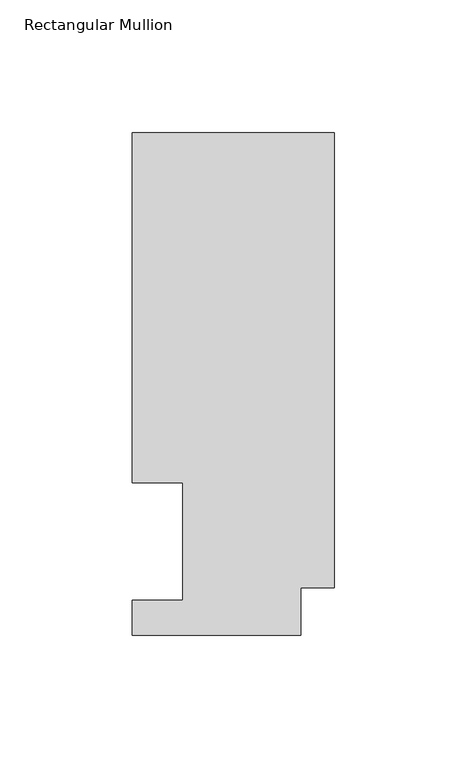
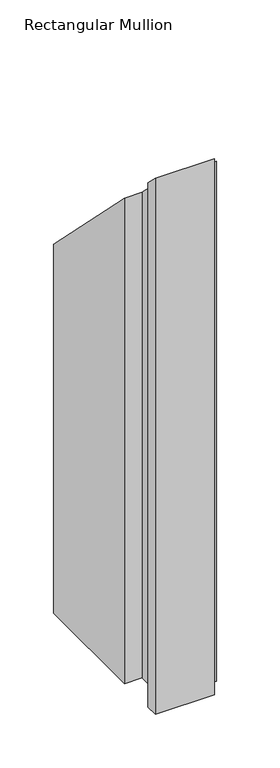
"""IFC4 building model written with IfcOpenShell, lengths in millimetres: member geometry, Rectangular Mullion."""

from ifc_helpers import new_model, si_unit, origin, place, context, project, spatial, faceted_brep, source, transform, mapped, element, save


def rectangular_mullion_49efbe55(model_context):
    return source(origin(), model_context, "Body", "Brep", [
        faceted_brep([(-76.2, 189.8022938, -609.6), (0.0, 189.8022938, -609.6), (0.0, 17.9712938, -609.6), (-12.7, 17.9712938, -609.6), (-12.7, 0.0134938, -609.6), (-76.2, 0.0134938, -609.6), (-76.2, 13.1960938, -609.6), (-57.15, 13.1960938, -609.6), (-57.15, 57.6460937, -609.6), (-76.2, 57.6460937, -609.6), (-76.2, 57.6460937, -57.6460937), (-76.2, 189.8022938, -189.8022937), (-57.15, 57.6460937, -57.6460937), (-57.15, 13.1960938, -13.1960938), (-76.2, 13.1960938, -13.1960938), (-76.2, 0.0134938, -0.0134938), (-12.7, 0.0134938, -0.0134938), (-12.7, 17.9712938, -17.9712938), (0.0, 17.9712938, -17.9712938), (0.0, 189.8022938, -189.8022937)], [[[0, 1, 2, 3, 4, 5, 6, 7, 8, 9]], [[10, 11, 0, 9]], [[12, 10, 9, 8]], [[13, 12, 8, 7]], [[14, 13, 7, 6]], [[15, 14, 6, 5]], [[16, 15, 5, 4]], [[17, 16, 4, 3]], [[18, 17, 3, 2]], [[19, 18, 2, 1]], [[11, 19, 1, 0]], [[11, 10, 12, 13, 14, 15, 16, 17, 18, 19]]]),
    ])


if __name__ == "__main__":
    model = new_model("IFC4")
    model_context = context("Model", 3, world=origin())
    ifc_project = project(units=[si_unit("LENGTHUNIT", "METRE", prefix="MILLI")], contexts=[model_context])
    site = spatial("IfcSite", under=ifc_project)
    building = spatial("IfcBuilding", under=site)
    placement = place(None, origin())
    rectangular_mullion_shape = rectangular_mullion_49efbe55(model_context)
    element("IfcMember", 1, ObjectType="Rectangular Mullion", at=placement, inside=building, context=model_context, shape_type="MappedRepresentation", body=[
        mapped(rectangular_mullion_shape, transform((0.0, 0.0, 0.0), x_axis=(1.0, 0.0, 0.0), y_axis=(0.0, 1.0, 0.0), z_axis=(0.0, 0.0, 1.0))),
    ])
    save(model, "model.ifc")
